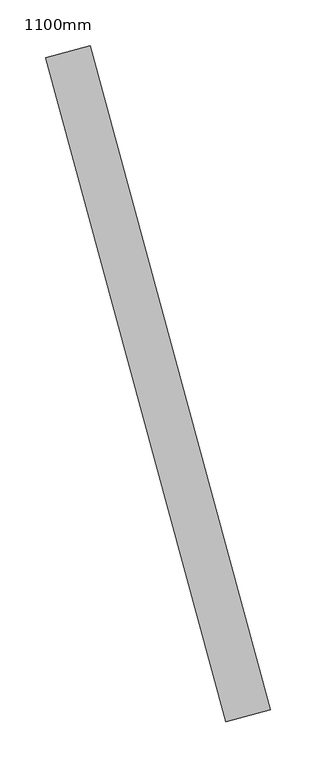
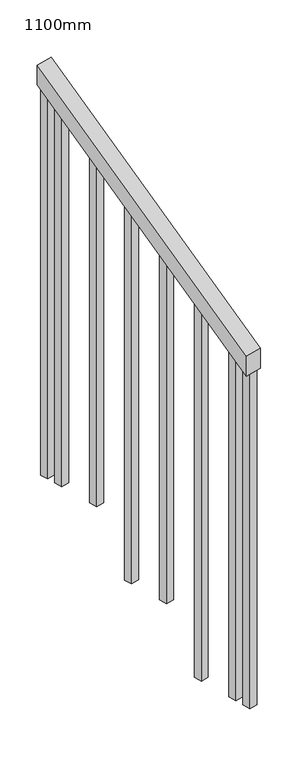
"""IFC4 building model written with IfcOpenShell, lengths in millimetres: railing geometry, 1100mm."""

from ifc_helpers import new_model, si_unit, frame, origin, place, context, project, spatial, polyline, outline, extrude, source, transform, mapped, element, save


def railing_1100mm_c7117006(model_context):
    return source(origin(), model_context, "Body", "SweptSolid", [
        extrude(outline(polyline([(-35.5555555, -50.0), (0.0, 0.0), (920.2958461, 0.0), (884.7402905, -50.0), (-35.5555555, -50.0)])), frame((116365.3154538, 61441.2923401, 1277.7777778), z_axis=(0.9649894123601837, 0.26228883703418915, 0.0), x_axis=(-0.2137536843159581, 0.7864232597554026, 0.5795237863600082)), (0.0, 0.0, 1.0), 50.0),
        extrude(outline(polyline([(1271.980277, -25.0), (108.8888889, -25.0), (91.1111112, 0.0), (1271.980277, 0.0), (1271.980277, -25.0)])), frame((116193.7756355, 62120.0635392, 1805.3136103), z_axis=(0.9649894123601837, 0.26228883703418915, 0.0), x_axis=(0.0, 0.0, -1.0)), (0.0, 0.0, 1.0), 25.0),
        extrude(outline(polyline([(1183.0913881, -25.0), (108.8888889, -25.0), (91.1111111, 0.0), (1183.0913881, 0.0), (1183.0913881, -25.0)])), frame((116226.5617401, 61999.4398626, 1716.4247214), z_axis=(0.9649894123601837, 0.26228883703418915, 0.0), x_axis=(0.0, 0.0, -1.0)), (0.0, 0.0, 1.0), 25.0),
        extrude(outline(polyline([(1271.9802769, -25.0), (108.8888889, -25.0), (91.1111111, 0.0), (1271.9802769, 0.0), (1271.9802769, -25.0)])), frame((116259.3478447, 61878.8161861, 1627.5358325), z_axis=(0.9649894123601837, 0.26228883703418915, 0.0), x_axis=(0.0, 0.0, -1.0)), (0.0, 0.0, 1.0), 25.0),
        extrude(outline(polyline([(1183.091388, -25.0000001), (108.8888889, -25.0000001), (91.1111111, 0.0), (1183.091388, 0.0), (1183.091388, -25.0000001)])), frame((116292.1339494, 61758.1925096, 1538.6469436), z_axis=(0.9649894123601837, 0.26228883703418915, 0.0), x_axis=(0.0, 0.0, -1.0)), (0.0, 0.0, 1.0), 25.0),
        extrude(outline(polyline([(1271.9802769, -25.0), (108.8888889, -25.0), (91.1111111, 0.0), (1271.9802769, 0.0), (1271.9802769, -25.0)])), frame((116324.920054, 61637.568833, 1449.7580547), z_axis=(0.9649894123601837, 0.26228883703418915, 0.0), x_axis=(0.0, 0.0, -1.0)), (0.0, 0.0, 1.0), 25.0),
        extrude(outline(polyline([(1183.091388, -25.0), (108.8888889, -25.0), (91.1111111, 0.0), (1183.091388, 0.0), (1183.091388, -25.0)])), frame((116357.7061586, 61516.9451565, 1360.8691658), z_axis=(0.9649894123601837, 0.26228883703418915, 0.0), x_axis=(0.0, 0.0, -1.0)), (0.0, 0.0, 1.0), 25.0),
        extrude(outline(polyline([(1307.5358325, -25.0), (108.8888889, -25.0), (91.1111111, 0.0), (1307.5358325, 0.0), (1307.5358325, -25.0)])), frame((116180.6611936, 62168.3130098, 1840.8691658), z_axis=(0.9649894123601837, 0.26228883703418915, 0.0), x_axis=(0.0, 0.0, -1.0)), (0.0, 0.0, 1.0), 25.0),
        extrude(outline(polyline([(1147.5358325, -25.0), (108.8888889, -25.0), (91.1111112, 0.0), (1147.5358325, 0.0), (1147.5358325, -25.0)])), frame((116370.8206005, 61468.6956858, 1325.3136103), z_axis=(0.9649894123601837, 0.26228883703418915, 0.0), x_axis=(0.0, 0.0, -1.0)), (0.0, 0.0, 1.0), 25.0),
    ])


if __name__ == "__main__":
    model = new_model("IFC4")
    model_context = context("Model", 3, world=origin())
    ifc_project = project(units=[si_unit("LENGTHUNIT", "METRE", prefix="MILLI")], contexts=[model_context])
    site = spatial("IfcSite", under=ifc_project)
    building = spatial("IfcBuilding", under=site)
    placement = place(None, origin())
    railing_1100mm_shape = railing_1100mm_c7117006(model_context)
    element("IfcRailing", 1, ObjectType="1100mm", at=placement, inside=building, context=model_context, shape_type="MappedRepresentation", body=[
        mapped(railing_1100mm_shape, transform((0.0, 0.0, 0.0), x_axis=(1.0, 0.0, 0.0), y_axis=(0.0, 1.0, 0.0), z_axis=(0.0, 0.0, 1.0))),
    ])
    save(model, "model.ifc")
